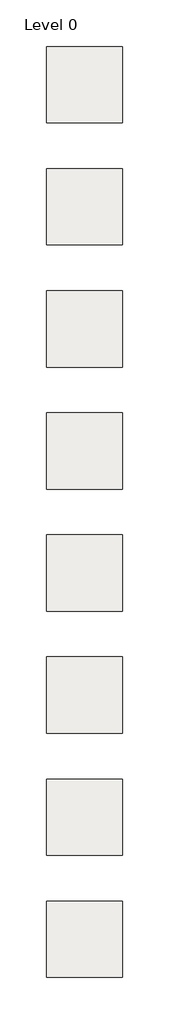
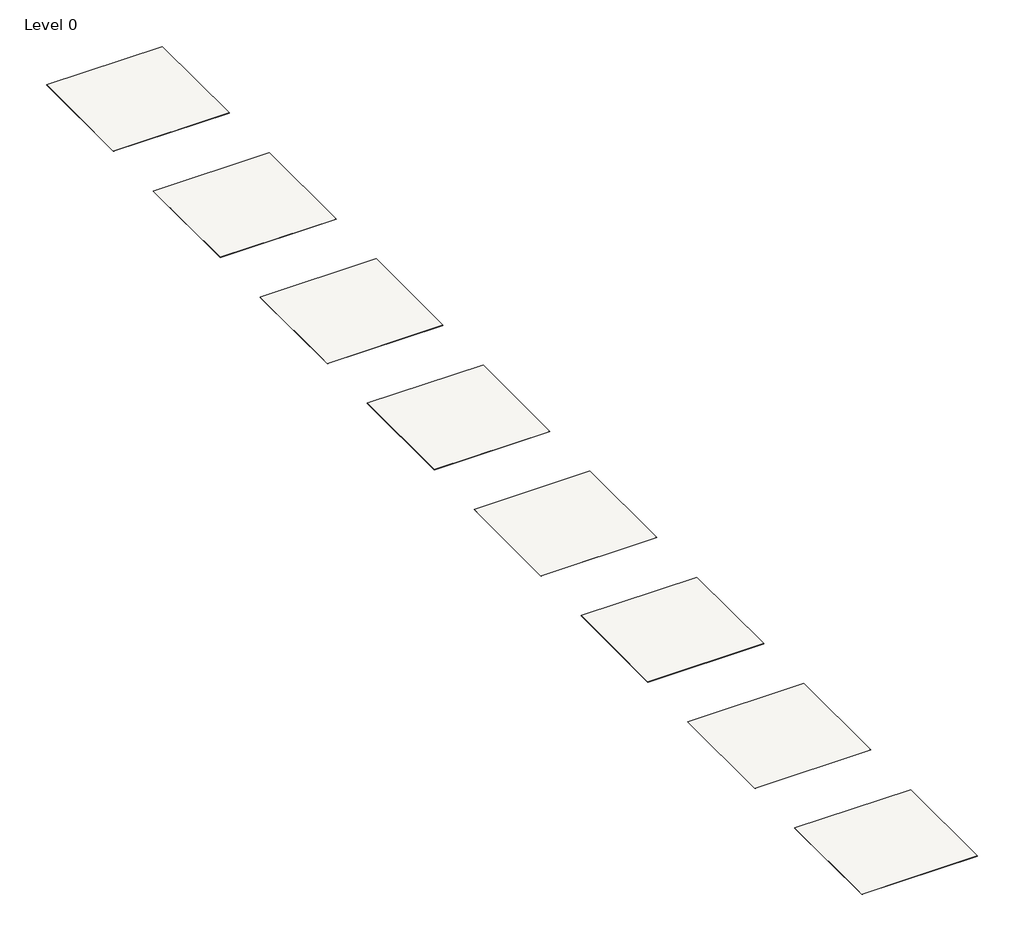
# One storey: 8 coverings.
"""IFC4 building model written with IfcOpenShell, lengths in millimetres."""

from ifc_helpers import new_model, si_unit, origin, origin_with_axes, place, context, project, spatial, polyline, outline, extrude, element, save

model = new_model("IFC4")

# Units and contexts
model_context = context("Model", 3, world=origin())
ifc_project = project(units=[si_unit("LENGTHUNIT", "METRE", prefix="MILLI")], contexts=[model_context])

# Site, building, storey
site = spatial("IfcSite", under=ifc_project)
building = spatial("IfcBuilding", under=site)
storey = spatial("IfcBuildingStorey", under=building, Name="Level 0", Elevation=0.0)

# Coverings
placement = place(None, origin())
element("IfcCovering", 1, at=placement, inside=storey, context=model_context, shape_type="SweptSolid", body=[
    extrude(outline(polyline([(0.0, -2500.0), (0.0, 0.0), (2500.0, 0.0), (2500.0, -2500.0), (0.0, -2500.0)])), origin_with_axes(), (0.0, 0.0, 1.0), 5.0),
])
element("IfcCovering", 2, at=placement, inside=storey, context=model_context, shape_type="SweptSolid", body=[
    extrude(outline(polyline([(0.0, -6500.0), (0.0, -4000.0), (2500.0, -4000.0), (2500.0, -6500.0), (0.0, -6500.0)])), origin_with_axes(), (0.0, 0.0, 1.0), 5.0),
])
element("IfcCovering", 3, at=placement, inside=storey, context=model_context, shape_type="SweptSolid", body=[
    extrude(outline(polyline([(0.0, -10500.0), (0.0, -8000.0), (2500.0, -8000.0), (2500.0, -10500.0), (0.0, -10500.0)])), origin_with_axes(), (0.0, 0.0, 1.0), 5.0),
])
element("IfcCovering", 4, at=placement, inside=storey, context=model_context, shape_type="SweptSolid", body=[
    extrude(outline(polyline([(0.0, -14500.0), (0.0, -12000.0), (2500.0, -12000.0), (2500.0, -14500.0), (0.0, -14500.0)])), origin_with_axes(), (0.0, 0.0, 1.0), 5.0),
])
element("IfcCovering", 5, at=placement, inside=storey, context=model_context, shape_type="SweptSolid", body=[
    extrude(outline(polyline([(0.0, -18500.0), (0.0, -16000.0), (2500.0, -16000.0), (2500.0, -18500.0), (0.0, -18500.0)])), origin_with_axes(), (0.0, 0.0, 1.0), 5.0),
])
element("IfcCovering", 6, at=placement, inside=storey, context=model_context, shape_type="SweptSolid", body=[
    extrude(outline(polyline([(0.0, -22500.0), (0.0, -20000.0), (2500.0, -20000.0), (2500.0, -22500.0), (0.0, -22500.0)])), origin_with_axes(), (0.0, 0.0, 1.0), 5.0),
])
element("IfcCovering", 7, at=placement, inside=storey, context=model_context, shape_type="SweptSolid", body=[
    extrude(outline(polyline([(0.0, -26500.0), (0.0, -24000.0), (2500.0, -24000.0), (2500.0, -26500.0), (0.0, -26500.0)])), origin_with_axes(), (0.0, 0.0, 1.0), 5.0),
])
element("IfcCovering", 8, at=placement, inside=storey, context=model_context, shape_type="SweptSolid", body=[
    extrude(outline(polyline([(0.0, -30500.0), (0.0, -28000.0), (2500.0, -28000.0), (2500.0, -30500.0), (0.0, -30500.0)])), origin_with_axes(), (0.0, 0.0, 1.0), 5.0),
])

save(model, "model.ifc")
